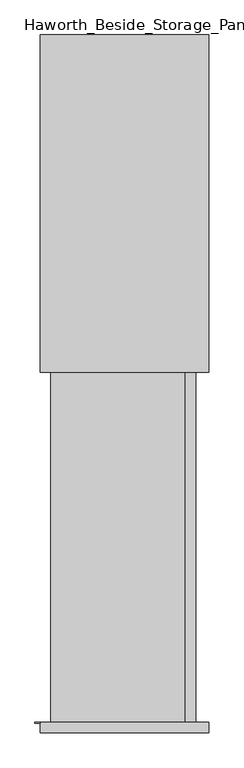
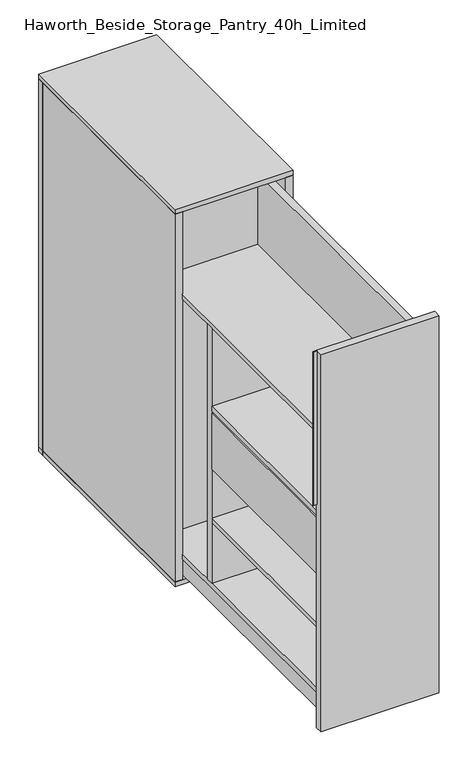
"""IFC4 building model written with IfcOpenShell, lengths in millimetres: furniture geometry, Haworth_Beside_Storage_Pantry_40h_Limited."""

from ifc_helpers import new_model, si_unit, frame, origin, origin_with_axes, place, context, project, spatial, polyline, outline, extrude, source, transform, mapped, element, save


def haworth_beside_storage_pantry_40h_limited_7f5080e8(model_context):
    return source(origin(), model_context, "Body", "SweptSolid", [
        extrude(outline(polyline([(63.9283834, -736.6), (63.9283834, -1238.25), (-179.0267264, -1238.25), (-179.0267264, -736.6), (63.9283834, -736.6)])), frame((0.0, 0.0, 393.8689694), z_axis=(0.0, 0.0, 1.0), x_axis=(1.0, 0.0, 0.0)), (0.0, 0.0, 1.0), 152.4),
        extrude(outline(polyline([(63.9283834, -736.6), (63.9283834, -1238.25), (-179.0267264, -1238.25), (-179.0267264, -736.6), (63.9283834, -736.6)])), frame((0.0, 0.0, 552.6189694), z_axis=(0.0, 0.0, 1.0), x_axis=(1.0, 0.0, 0.0)), (0.0, 0.0, 1.0), 12.7),
        extrude(outline(polyline([(-179.0267264, -717.55), (63.9283834, -717.55), (63.9283834, -736.6), (-179.0267264, -736.6), (-179.0267264, -717.55)])), frame((0.0, 0.0, 82.55), z_axis=(0.0, 0.0, 1.0), x_axis=(1.0, 0.0, 0.0)), (0.0, 0.0, 1.0), 695.8955106),
        extrude(outline(polyline([(-207.9518975, -1238.25), (-198.0767264, -1238.25), (-198.0767264, -1239.9927284), (-207.9518975, -1239.9927284), (-207.9518975, -1238.25)])), frame((0.0, 0.0, 609.6), z_axis=(0.0, 0.0, 1.0), x_axis=(1.0, 0.0, 0.0)), (0.0, 0.0, 1.0), 419.1),
        extrude(outline(polyline([(63.9283834, -520.7), (63.9283834, -1238.25), (-179.0267264, -1238.25), (-179.0267264, -520.7), (63.9283834, -520.7)])), frame((0.0, 0.0, 69.85), z_axis=(0.0, 0.0, 1.0), x_axis=(1.0, 0.0, 0.0)), (0.0, 0.0, 1.0), 12.7),
        extrude(outline(polyline([(63.9283834, -736.6), (63.9283834, -1238.25), (-179.0267264, -1238.25), (-179.0267264, -736.6), (63.9283834, -736.6)])), frame((0.0, 0.0, 247.8189694), z_axis=(0.0, 0.0, 1.0), x_axis=(1.0, 0.0, 0.0)), (0.0, 0.0, 1.0), 12.7),
        extrude(outline(polyline([(63.9283834, -520.7), (63.9283834, -1238.25), (-179.0267264, -1238.25), (-179.0267264, -520.7), (63.9283834, -520.7)])), frame((0.0, 0.0, 778.4455106), z_axis=(0.0, 0.0, 1.0), x_axis=(1.0, 0.0, 0.0)), (0.0, 0.0, 1.0), 12.7),
        extrude(outline(polyline([(-145.6216166, -501.65), (-145.6216166, -1238.25), (-172.6767264, -1238.25), (-172.6767264, -501.65), (-145.6216166, -501.65)])), frame((0.0, 0.0, 19.05), z_axis=(0.0, 0.0, 1.0), x_axis=(1.0, 0.0, 0.0)), (0.0, 0.0, 1.0), 50.8),
        extrude(outline(polyline([(-179.0267264, -501.65), (63.9283834, -501.65), (63.9283834, -520.7), (-179.0267264, -520.7), (-179.0267264, -501.65)])), frame((0.0, 0.0, 12.7), z_axis=(0.0, 0.0, 1.0), x_axis=(1.0, 0.0, 0.0)), (0.0, 0.0, 1.0), 971.55),
        extrude(outline(polyline([(82.9783834, -501.65), (82.9783834, -1238.25), (63.9283834, -1238.25), (63.9283834, -501.65), (82.9783834, -501.65)])), frame((0.0, 0.0, 19.05), z_axis=(0.0, 0.0, 1.0), x_axis=(1.0, 0.0, 0.0)), (0.0, 0.0, 1.0), 965.2),
        extrude(outline(polyline([(87.6732736, -13.9628587), (87.6732736, -604.5128587), (-198.0767264, -604.5128587), (-198.0767264, -13.9628587), (87.6732736, -13.9628587)])), origin_with_axes(), (0.0, 0.0, 1.0), 12.7),
        extrude(outline(polyline([(106.7232736, -1257.3), (-198.0767264, -1257.3), (-198.0767264, -1238.25), (106.7232736, -1238.25), (106.7232736, -1257.3)])), origin_with_axes(), (0.0, 0.0, 1.0), 1028.7),
        extrude(outline(polyline([(-198.0767264, -604.5128587), (-198.0767264, 5.0871413), (-179.0267264, 5.0871413), (-179.0267264, -604.5128587), (-198.0767264, -604.5128587)])), frame((0.0, 0.0, 12.7), z_axis=(0.0, 0.0, 1.0), x_axis=(1.0, 0.0, 0.0)), (0.0, 0.0, 1.0), 1003.3),
        extrude(outline(polyline([(106.7232736, -604.5128587), (87.6732736, -604.5128587), (87.6732736, 5.0871413), (106.7232736, 5.0871413), (106.7232736, -604.5128587)])), frame((0.0, 0.0, 12.7), z_axis=(0.0, 0.0, 1.0), x_axis=(1.0, 0.0, 0.0)), (0.0, 0.0, 1.0), 1003.3),
        extrude(outline(polyline([(106.7232736, 5.0871413), (106.7232736, -13.9628587), (-198.0767264, -13.9628587), (-198.0767264, 5.0871413), (106.7232736, 5.0871413)])), origin_with_axes(), (0.0, 0.0, 1.0), 1016.0),
        extrude(outline(polyline([(106.7232736, 5.0871413), (106.7232736, -604.5128587), (-198.0767264, -604.5128587), (-198.0767264, 5.0871413), (106.7232736, 5.0871413)])), frame((0.0, 0.0, 1016.0), z_axis=(0.0, 0.0, 1.0), x_axis=(1.0, 0.0, 0.0)), (0.0, 0.0, 1.0), 12.7),
    ])


if __name__ == "__main__":
    model = new_model("IFC4")
    model_context = context("Model", 3, world=origin())
    ifc_project = project(units=[si_unit("LENGTHUNIT", "METRE", prefix="MILLI")], contexts=[model_context])
    site = spatial("IfcSite", under=ifc_project)
    building = spatial("IfcBuilding", under=site)
    placement = place(None, origin())
    haworth_beside_storage_pantry_40h_limited_shape = haworth_beside_storage_pantry_40h_limited_7f5080e8(model_context)
    element("IfcFurniture", 1, ObjectType="Haworth_Beside_Storage_Pantry_40h_Limited", at=placement, inside=building, context=model_context, shape_type="MappedRepresentation", body=[
        mapped(haworth_beside_storage_pantry_40h_limited_shape, transform((0.0, 0.0, 0.0), x_axis=(1.0, 0.0, 0.0), y_axis=(0.0, 1.0, 0.0), z_axis=(0.0, 0.0, 1.0))),
    ])
    save(model, "model.ifc")
